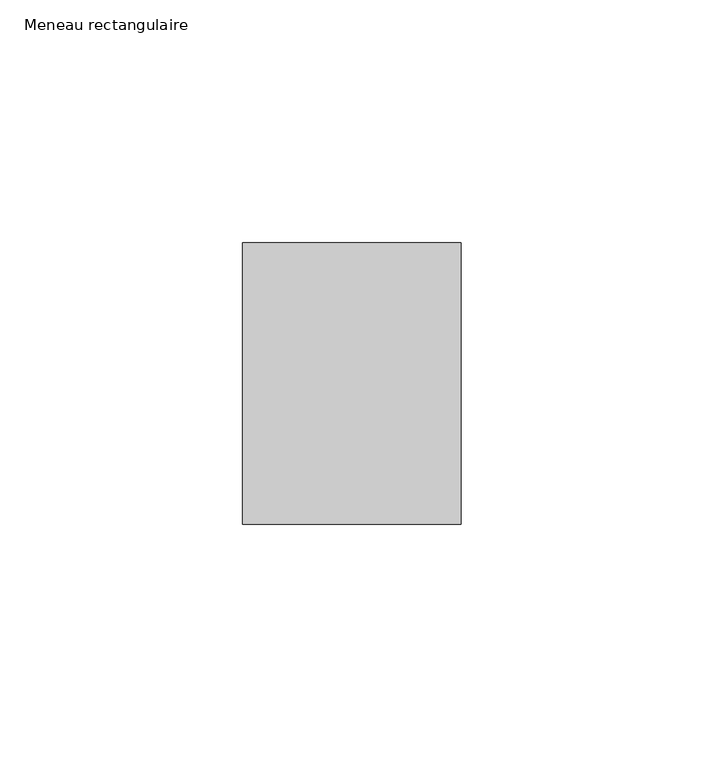
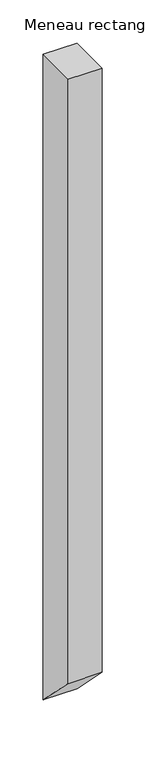
"""IFC4 building model written with IfcOpenShell, lengths in millimetres: member geometry, Meneau rectangulaire."""

from ifc_helpers import new_model, si_unit, frame, origin, place, context, project, spatial, polyline, outline, extrude, source, transform, mapped, element, save


def meneau_rectangulaire_a620f90c(model_context):
    return source(origin(), model_context, "Body", "SweptSolid", [
        extrude(outline(polyline([(-29.0, 0.0), (29.0, 0.0), (29.0, -909.7695155), (-29.0, -851.7695155), (-29.0, 0.0)])), frame((-45.0, 0.0, 0.0), z_axis=(1.0, 0.0, 0.0), x_axis=(0.0, 1.0, 0.0)), (0.0, 0.0, 1.0), 45.0),
    ])


if __name__ == "__main__":
    model = new_model("IFC4")
    model_context = context("Model", 3, world=origin())
    ifc_project = project(units=[si_unit("LENGTHUNIT", "METRE", prefix="MILLI")], contexts=[model_context])
    site = spatial("IfcSite", under=ifc_project)
    building = spatial("IfcBuilding", under=site)
    placement = place(None, origin())
    meneau_rectangulaire_shape = meneau_rectangulaire_a620f90c(model_context)
    element("IfcMember", 1, ObjectType="Meneau rectangulaire", at=placement, inside=building, context=model_context, shape_type="MappedRepresentation", body=[
        mapped(meneau_rectangulaire_shape, transform((0.0, 0.0, 0.0), x_axis=(1.0, 0.0, 0.0), y_axis=(0.0, 1.0, 0.0), z_axis=(0.0, 0.0, 1.0))),
    ])
    save(model, "model.ifc")
